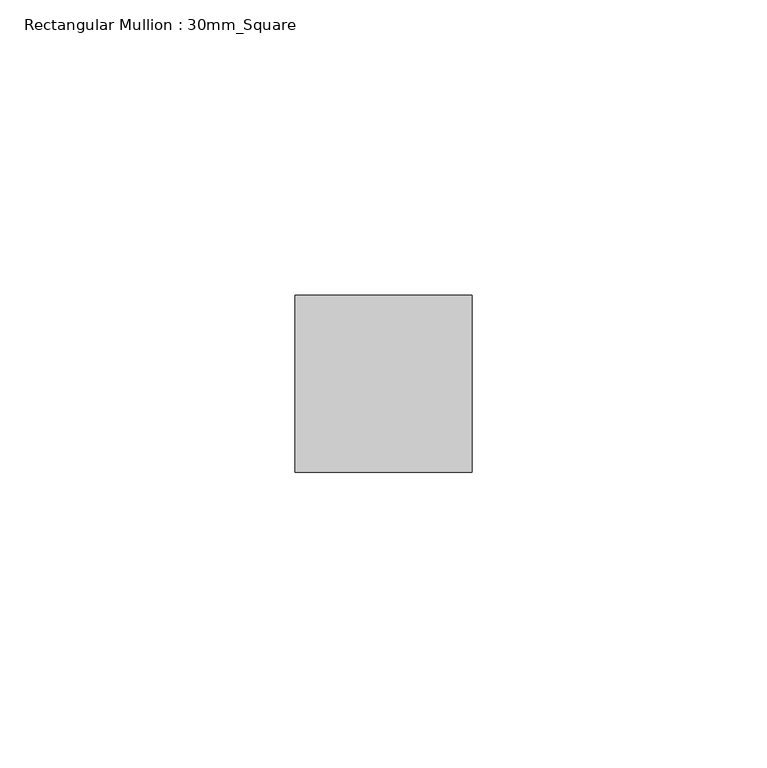
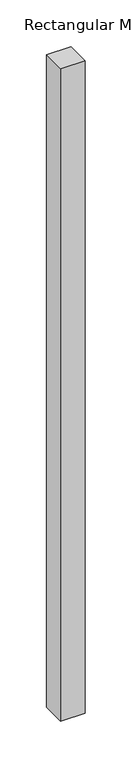
"""IFC4 building model written with IfcOpenShell, lengths in millimetres: member geometry, Rectangular Mullion : 30mm_Square."""

from ifc_helpers import new_model, si_unit, frame, origin, place, context, project, spatial, polyline, outline, extrude, source, transform, mapped, element, save


def rectangular_mullion_30mm_square_3f61dc50(model_context):
    return source(origin(), model_context, "Body", "SweptSolid", [
        extrude(outline(polyline([(0.0, 15.0), (0.0, -15.0), (-30.0, -15.0), (-30.0, 15.0), (0.0, 15.0)])), frame((0.0, 0.0, -850.0), z_axis=(0.0, 0.0, 1.0), x_axis=(1.0, 0.0, 0.0)), (0.0, 0.0, 1.0), 850.0),
    ])


if __name__ == "__main__":
    model = new_model("IFC4")
    model_context = context("Model", 3, world=origin())
    ifc_project = project(units=[si_unit("LENGTHUNIT", "METRE", prefix="MILLI")], contexts=[model_context])
    site = spatial("IfcSite", under=ifc_project)
    building = spatial("IfcBuilding", under=site)
    placement = place(None, origin())
    rectangular_mullion_30mm_square_shape = rectangular_mullion_30mm_square_3f61dc50(model_context)
    element("IfcMember", 1, ObjectType="Rectangular Mullion : 30mm_Square", at=placement, inside=building, context=model_context, shape_type="MappedRepresentation", body=[
        mapped(rectangular_mullion_30mm_square_shape, transform((0.0, 0.0, 0.0), x_axis=(1.0, 0.0, 0.0), y_axis=(0.0, 1.0, 0.0), z_axis=(0.0, 0.0, 1.0))),
    ])
    save(model, "model.ifc")
